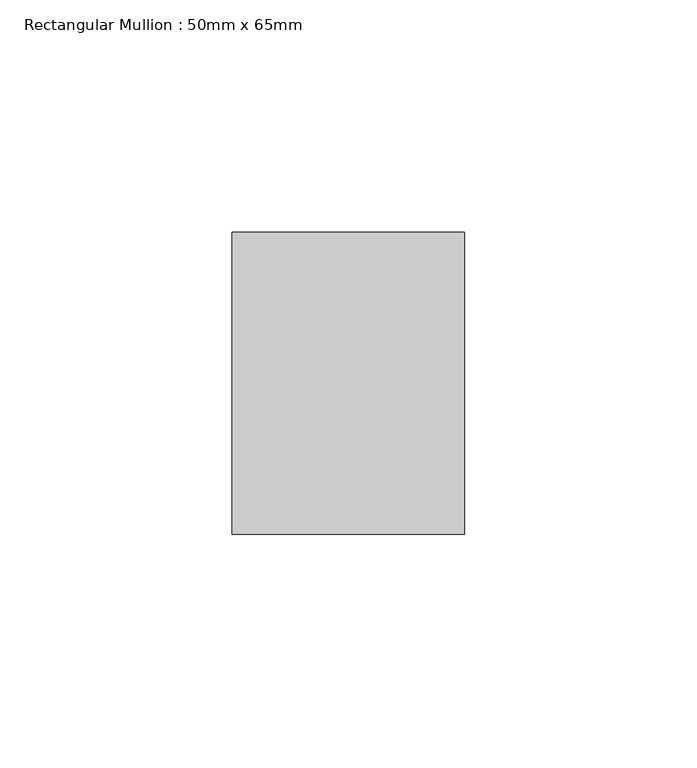
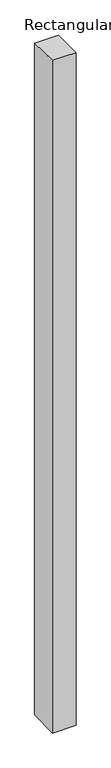
"""IFC4 building model written with IfcOpenShell, lengths in millimetres: member geometry, Rectangular Mullion : 50mm x 65mm."""

from ifc_helpers import new_model, si_unit, origin, place, context, project, spatial, faceted_brep, source, transform, mapped, element, save


def rectangular_mullion_50mm_x_65mm_d1b19c2b(model_context):
    return source(origin(), model_context, "Body", "Brep", [
        faceted_brep([(-25.0, 32.5, -0.4518158), (25.0, 32.5, -0.4518131), (25.0, 32.5, -1499.4318017), (-25.0, 32.5, -1499.4317982), (-25.0, -32.5, 0.4518131), (-25.0, -32.5, -1500.5684372), (25.0, -32.5, 0.4518158), (25.0, -32.5, -1500.5684406)], [[[0, 1, 2, 3]], [[4, 0, 3, 5]], [[6, 4, 5, 7]], [[1, 6, 7, 2]], [[1, 0, 4, 6]], [[2, 7, 5, 3]]]),
    ])


if __name__ == "__main__":
    model = new_model("IFC4")
    model_context = context("Model", 3, world=origin())
    ifc_project = project(units=[si_unit("LENGTHUNIT", "METRE", prefix="MILLI")], contexts=[model_context])
    site = spatial("IfcSite", under=ifc_project)
    building = spatial("IfcBuilding", under=site)
    placement = place(None, origin())
    rectangular_mullion_50mm_x_65mm_shape = rectangular_mullion_50mm_x_65mm_d1b19c2b(model_context)
    element("IfcMember", 1, ObjectType="Rectangular Mullion : 50mm x 65mm", at=placement, inside=building, context=model_context, shape_type="MappedRepresentation", body=[
        mapped(rectangular_mullion_50mm_x_65mm_shape, transform((0.0, 0.0, 0.0), x_axis=(1.0, 0.0, 0.0), y_axis=(0.0, 1.0, 0.0), z_axis=(0.0, 0.0, 1.0))),
    ])
    save(model, "model.ifc")
